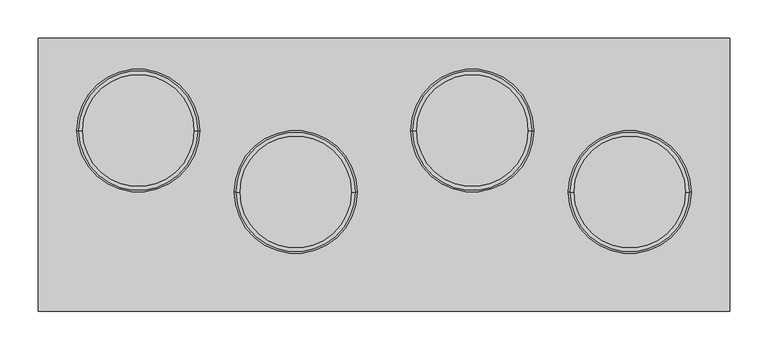
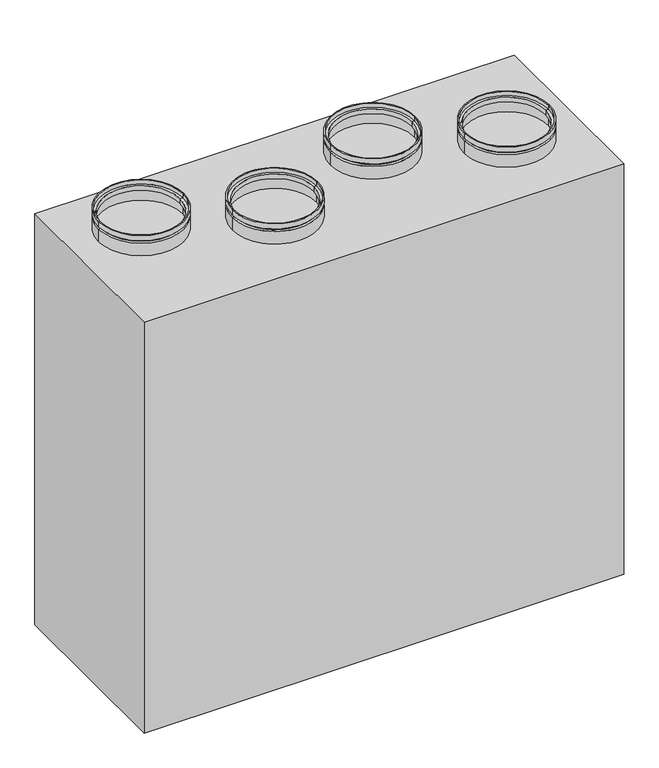
"""IFC4 building model written with IfcOpenShell, lengths in millimetres: proxy geometry."""

from ifc_helpers import new_model, si_unit, frame, origin, origin_with_axes, place, context, project, spatial, polyline, circle_curve, outline, extrude, source, transform, mapped, element, save
from ifc_brep_helpers import plane_surface, cylinder_surface, revolved_surface, advanced_brep


def mechanical_equipment_04812025(model_context):
    return source(origin(), model_context, "Body", "SolidModel", [
        advanced_brep(
        [(400.0, -22.5, 845.0), (240.0, -22.5, 845.0), (240.0, -22.5, 855.0), (400.0, -22.5, 855.0), (395.0, -22.5, 845.0), (245.0, -22.5, 845.0), (395.0, -22.5, 840.0), (245.0, -22.5, 840.0), (400.0, -22.5, 840.0), (240.0, -22.5, 840.0), (400.0, -22.5, 815.0), (240.0, -22.5, 815.0), (398.0, -22.5, 815.0), (242.0, -22.5, 815.0), (398.0, -22.5, 838.0), (242.0, -22.5, 838.0), (393.0, -22.5, 838.0), (247.0, -22.5, 838.0), (393.0, -22.5, 847.0), (247.0, -22.5, 847.0), (398.0, -22.5, 847.0), (242.0, -22.5, 847.0), (398.0, -22.5, 855.0), (242.0, -22.5, 855.0)],
        [
            (0, 1, circle_curve(frame((320.0, -22.5, 845.0), z_axis=(0.0, 0.0, 1.0), x_axis=(-1.0, 0.0, 0.0)), 80.0)),
            (1, 2),
            (2, 3, circle_curve(frame((320.0, -22.5, 855.0), z_axis=(0.0, 0.0, -1.0), x_axis=(-1.0, 0.0, 0.0)), 80.0)),
            (3, 0),
            (1, 0, circle_curve(frame((320.0, -22.5, 845.0), z_axis=(0.0, 0.0, 1.0), x_axis=(-1.0, 0.0, 0.0)), 80.0)),
            (3, 2, circle_curve(frame((320.0, -22.5, 855.0), z_axis=(0.0, 0.0, -1.0), x_axis=(-1.0, 0.0, 0.0)), 80.0)),
            (4, 5, circle_curve(frame((320.0, -22.5, 845.0), z_axis=(0.0, 0.0, 1.0), x_axis=(-1.0, 0.0, 0.0)), 75.0)),
            (5, 1),
            (0, 4),
            (5, 4, circle_curve(frame((320.0, -22.5, 845.0), z_axis=(0.0, 0.0, 1.0), x_axis=(-1.0, 0.0, 0.0)), 75.0)),
            (6, 7, circle_curve(frame((320.0, -22.5, 840.0), z_axis=(0.0, 0.0, 1.0), x_axis=(-1.0, 0.0, 0.0)), 75.0)),
            (7, 5),
            (4, 6),
            (7, 6, circle_curve(frame((320.0, -22.5, 840.0), z_axis=(0.0, 0.0, 1.0), x_axis=(-1.0, 0.0, 0.0)), 75.0)),
            (8, 9, circle_curve(frame((320.0, -22.5, 840.0), z_axis=(0.0, 0.0, 1.0), x_axis=(-1.0, 0.0, 0.0)), 80.0)),
            (9, 7),
            (6, 8),
            (9, 8, circle_curve(frame((320.0, -22.5, 840.0), z_axis=(0.0, 0.0, 1.0), x_axis=(-1.0, 0.0, 0.0)), 80.0)),
            (10, 11, circle_curve(frame((320.0, -22.5, 815.0), z_axis=(0.0, 0.0, 1.0), x_axis=(-1.0, 0.0, 0.0)), 80.0)),
            (11, 9),
            (8, 10),
            (11, 10, circle_curve(frame((320.0, -22.5, 815.0), z_axis=(0.0, 0.0, 1.0), x_axis=(-1.0, 0.0, 0.0)), 80.0)),
            (12, 13, circle_curve(frame((320.0, -22.5, 815.0), z_axis=(0.0, 0.0, 1.0), x_axis=(-1.0, 0.0, 0.0)), 78.0)),
            (13, 11),
            (10, 12),
            (13, 12, circle_curve(frame((320.0, -22.5, 815.0), z_axis=(0.0, 0.0, 1.0), x_axis=(-1.0, 0.0, 0.0)), 78.0)),
            (14, 15, circle_curve(frame((320.0, -22.5, 838.0), z_axis=(0.0, 0.0, 1.0), x_axis=(-1.0, 0.0, 0.0)), 78.0)),
            (15, 13),
            (12, 14),
            (15, 14, circle_curve(frame((320.0, -22.5, 838.0), z_axis=(0.0, 0.0, 1.0), x_axis=(-1.0, 0.0, 0.0)), 78.0)),
            (16, 17, circle_curve(frame((320.0, -22.5, 838.0), z_axis=(0.0, 0.0, 1.0), x_axis=(-1.0, 0.0, 0.0)), 73.0)),
            (17, 15),
            (14, 16),
            (17, 16, circle_curve(frame((320.0, -22.5, 838.0), z_axis=(0.0, 0.0, 1.0), x_axis=(-1.0, 0.0, 0.0)), 73.0)),
            (18, 19, circle_curve(frame((320.0, -22.5, 847.0), z_axis=(0.0, 0.0, 1.0), x_axis=(-1.0, 0.0, 0.0)), 73.0)),
            (19, 17),
            (16, 18),
            (19, 18, circle_curve(frame((320.0, -22.5, 847.0), z_axis=(0.0, 0.0, 1.0), x_axis=(-1.0, 0.0, 0.0)), 73.0)),
            (20, 21, circle_curve(frame((320.0, -22.5, 847.0), z_axis=(0.0, 0.0, 1.0), x_axis=(-1.0, 0.0, 0.0)), 78.0)),
            (21, 19),
            (18, 20),
            (21, 20, circle_curve(frame((320.0, -22.5, 847.0), z_axis=(0.0, 0.0, 1.0), x_axis=(-1.0, 0.0, 0.0)), 78.0)),
            (22, 23, circle_curve(frame((320.0, -22.5, 855.0), z_axis=(0.0, 0.0, 1.0), x_axis=(-1.0, 0.0, 0.0)), 78.0)),
            (23, 21),
            (20, 22),
            (23, 22, circle_curve(frame((320.0, -22.5, 855.0), z_axis=(0.0, 0.0, 1.0), x_axis=(-1.0, 0.0, 0.0)), 78.0)),
            (2, 23),
            (22, 3),
        ],
        [
            cylinder_surface(frame((320.0, -22.5, 2390.0440172), z_axis=(0.0, 0.0, -1.0), x_axis=(-1.0, 0.0, 0.0)), 80.0),
            plane_surface(frame((320.0, -22.5, 845.0), z_axis=(0.0, 0.0, -1.0), x_axis=(-1.0, 0.0, 0.0))),
            cylinder_surface(frame((320.0, -22.5, 2390.0440172), z_axis=(0.0, 0.0, -1.0), x_axis=(-1.0, 0.0, 0.0)), 75.0),
            plane_surface(frame((320.0, -22.5, 840.0), z_axis=(0.0, 0.0, 1.0), x_axis=(-1.0, 0.0, 0.0))),
            plane_surface(frame((320.0, -22.5, 815.0), z_axis=(0.0, 0.0, -1.0), x_axis=(-1.0, 0.0, 0.0))),
            revolved_surface(polyline([(242.0, -22.5, 815.0), (242.0, -22.5, 838.0)]), (320.0, -22.5, 2390.0440172), (0.0, 0.0, -1.0)),
            plane_surface(frame((320.0, -22.5, 838.0), z_axis=(0.0, 0.0, -1.0), x_axis=(-1.0, 0.0, 0.0))),
            revolved_surface(polyline([(247.0, -22.5, 838.0), (247.0, -22.5, 847.0)]), (320.0, -22.5, 2390.0440172), (0.0, 0.0, -1.0)),
            plane_surface(frame((320.0, -22.5, 847.0), z_axis=(0.0, 0.0, 1.0), x_axis=(-1.0, 0.0, 0.0))),
            revolved_surface(polyline([(242.0, -22.5, 847.0), (242.0, -22.5, 855.0)]), (320.0, -22.5, 2390.0440172), (0.0, 0.0, -1.0)),
            plane_surface(frame((320.0, -22.5, 855.0), z_axis=(0.0, 0.0, 1.0), x_axis=(-1.0, 0.0, 0.0))),
        ],
        [
            (0, [[1, 2, 3, 4]]),
            (0, [[5, -4, 6, -2]]),
            (1, [[7, 8, -1, 9]]),
            (1, [[10, -9, -5, -8]]),
            (2, [[11, 12, -7, 13]]),
            (2, [[14, -13, -10, -12]]),
            (3, [[15, 16, -11, 17]]),
            (3, [[18, -17, -14, -16]]),
            (0, [[19, 20, -15, 21]]),
            (0, [[22, -21, -18, -20]]),
            (4, [[23, 24, -19, 25]]),
            (4, [[26, -25, -22, -24]]),
            (5, [[27, 28, -23, 29]]),
            (5, [[30, -29, -26, -28]]),
            (6, [[31, 32, -27, 33]]),
            (6, [[34, -33, -30, -32]]),
            (7, [[35, 36, -31, 37]]),
            (7, [[38, -37, -34, -36]]),
            (8, [[39, 40, -35, 41]]),
            (8, [[42, -41, -38, -40]]),
            (9, [[43, 44, -39, 45]]),
            (9, [[46, -45, -42, -44]]),
            (10, [[-3, 47, -43, 48]]),
            (10, [[-6, -48, -46, -47]]),
        ],
    ),
        advanced_brep(
        [(195.0, 57.5, 845.0), (35.0, 57.5, 845.0), (35.0, 57.5, 855.0), (195.0, 57.5, 855.0), (190.0, 57.5, 845.0), (40.0, 57.5, 845.0), (190.0, 57.5, 840.0), (40.0, 57.5, 840.0), (195.0, 57.5, 840.0), (35.0, 57.5, 840.0), (195.0, 57.5, 815.0), (35.0, 57.5, 815.0), (193.0, 57.5, 815.0), (37.0, 57.5, 815.0), (193.0, 57.5, 838.0), (37.0, 57.5, 838.0), (188.0, 57.5, 838.0), (42.0, 57.5, 838.0), (188.0, 57.5, 847.0), (42.0, 57.5, 847.0), (193.0, 57.5, 847.0), (37.0, 57.5, 847.0), (193.0, 57.5, 855.0), (37.0, 57.5, 855.0)],
        [
            (0, 1, circle_curve(frame((115.0, 57.5, 845.0), z_axis=(0.0, 0.0, 1.0), x_axis=(-1.0, 0.0, 0.0)), 80.0)),
            (1, 2),
            (2, 3, circle_curve(frame((115.0, 57.5, 855.0), z_axis=(0.0, 0.0, -1.0), x_axis=(-1.0, 0.0, 0.0)), 80.0)),
            (3, 0),
            (1, 0, circle_curve(frame((115.0, 57.5, 845.0), z_axis=(0.0, 0.0, 1.0), x_axis=(-1.0, 0.0, 0.0)), 80.0)),
            (3, 2, circle_curve(frame((115.0, 57.5, 855.0), z_axis=(0.0, 0.0, -1.0), x_axis=(-1.0, 0.0, 0.0)), 80.0)),
            (4, 5, circle_curve(frame((115.0, 57.5, 845.0), z_axis=(0.0, 0.0, 1.0), x_axis=(-1.0, 0.0, 0.0)), 75.0)),
            (5, 1),
            (0, 4),
            (5, 4, circle_curve(frame((115.0, 57.5, 845.0), z_axis=(0.0, 0.0, 1.0), x_axis=(-1.0, 0.0, 0.0)), 75.0)),
            (6, 7, circle_curve(frame((115.0, 57.5, 840.0), z_axis=(0.0, 0.0, 1.0), x_axis=(-1.0, 0.0, 0.0)), 75.0)),
            (7, 5),
            (4, 6),
            (7, 6, circle_curve(frame((115.0, 57.5, 840.0), z_axis=(0.0, 0.0, 1.0), x_axis=(-1.0, 0.0, 0.0)), 75.0)),
            (8, 9, circle_curve(frame((115.0, 57.5, 840.0), z_axis=(0.0, 0.0, 1.0), x_axis=(-1.0, 0.0, 0.0)), 80.0)),
            (9, 7),
            (6, 8),
            (9, 8, circle_curve(frame((115.0, 57.5, 840.0), z_axis=(0.0, 0.0, 1.0), x_axis=(-1.0, 0.0, 0.0)), 80.0)),
            (10, 11, circle_curve(frame((115.0, 57.5, 815.0), z_axis=(0.0, 0.0, 1.0), x_axis=(-1.0, 0.0, 0.0)), 80.0)),
            (11, 9),
            (8, 10),
            (11, 10, circle_curve(frame((115.0, 57.5, 815.0), z_axis=(0.0, 0.0, 1.0), x_axis=(-1.0, 0.0, 0.0)), 80.0)),
            (12, 13, circle_curve(frame((115.0, 57.5, 815.0), z_axis=(0.0, 0.0, 1.0), x_axis=(-1.0, 0.0, 0.0)), 78.0)),
            (13, 11),
            (10, 12),
            (13, 12, circle_curve(frame((115.0, 57.5, 815.0), z_axis=(0.0, 0.0, 1.0), x_axis=(-1.0, 0.0, 0.0)), 78.0)),
            (14, 15, circle_curve(frame((115.0, 57.5, 838.0), z_axis=(0.0, 0.0, 1.0), x_axis=(-1.0, 0.0, 0.0)), 78.0)),
            (15, 13),
            (12, 14),
            (15, 14, circle_curve(frame((115.0, 57.5, 838.0), z_axis=(0.0, 0.0, 1.0), x_axis=(-1.0, 0.0, 0.0)), 78.0)),
            (16, 17, circle_curve(frame((115.0, 57.5, 838.0), z_axis=(0.0, 0.0, 1.0), x_axis=(-1.0, 0.0, 0.0)), 73.0)),
            (17, 15),
            (14, 16),
            (17, 16, circle_curve(frame((115.0, 57.5, 838.0), z_axis=(0.0, 0.0, 1.0), x_axis=(-1.0, 0.0, 0.0)), 73.0)),
            (18, 19, circle_curve(frame((115.0, 57.5, 847.0), z_axis=(0.0, 0.0, 1.0), x_axis=(-1.0, 0.0, 0.0)), 73.0)),
            (19, 17),
            (16, 18),
            (19, 18, circle_curve(frame((115.0, 57.5, 847.0), z_axis=(0.0, 0.0, 1.0), x_axis=(-1.0, 0.0, 0.0)), 73.0)),
            (20, 21, circle_curve(frame((115.0, 57.5, 847.0), z_axis=(0.0, 0.0, 1.0), x_axis=(-1.0, 0.0, 0.0)), 78.0)),
            (21, 19),
            (18, 20),
            (21, 20, circle_curve(frame((115.0, 57.5, 847.0), z_axis=(0.0, 0.0, 1.0), x_axis=(-1.0, 0.0, 0.0)), 78.0)),
            (22, 23, circle_curve(frame((115.0, 57.5, 855.0), z_axis=(0.0, 0.0, 1.0), x_axis=(-1.0, 0.0, 0.0)), 78.0)),
            (23, 21),
            (20, 22),
            (23, 22, circle_curve(frame((115.0, 57.5, 855.0), z_axis=(0.0, 0.0, 1.0), x_axis=(-1.0, 0.0, 0.0)), 78.0)),
            (2, 23),
            (22, 3),
        ],
        [
            cylinder_surface(frame((115.0, 57.5, 2390.0440172), z_axis=(0.0, 0.0, -1.0), x_axis=(-1.0, 0.0, 0.0)), 80.0),
            plane_surface(frame((115.0, 57.5, 845.0), z_axis=(0.0, 0.0, -1.0), x_axis=(-1.0, 0.0, 0.0))),
            cylinder_surface(frame((115.0, 57.5, 2390.0440172), z_axis=(0.0, 0.0, -1.0), x_axis=(-1.0, 0.0, 0.0)), 75.0),
            plane_surface(frame((115.0, 57.5, 840.0), z_axis=(0.0, 0.0, 1.0), x_axis=(-1.0, 0.0, 0.0))),
            plane_surface(frame((115.0, 57.5, 815.0), z_axis=(0.0, 0.0, -1.0), x_axis=(-1.0, 0.0, 0.0))),
            revolved_surface(polyline([(37.0, 57.5, 815.0), (37.0, 57.5, 838.0)]), (115.0, 57.5, 2390.0440172), (0.0, 0.0, -1.0)),
            plane_surface(frame((115.0, 57.5, 838.0), z_axis=(0.0, 0.0, -1.0), x_axis=(-1.0, 0.0, 0.0))),
            revolved_surface(polyline([(42.0, 57.5, 838.0), (42.0, 57.5, 847.0)]), (115.0, 57.5, 2390.0440172), (0.0, 0.0, -1.0)),
            plane_surface(frame((115.0, 57.5, 847.0), z_axis=(0.0, 0.0, 1.0), x_axis=(-1.0, 0.0, 0.0))),
            revolved_surface(polyline([(37.0, 57.5, 847.0), (37.0, 57.5, 855.0)]), (115.0, 57.5, 2390.0440172), (0.0, 0.0, -1.0)),
            plane_surface(frame((115.0, 57.5, 855.0), z_axis=(0.0, 0.0, 1.0), x_axis=(-1.0, 0.0, 0.0))),
        ],
        [
            (0, [[1, 2, 3, 4]]),
            (0, [[5, -4, 6, -2]]),
            (1, [[7, 8, -1, 9]]),
            (1, [[10, -9, -5, -8]]),
            (2, [[11, 12, -7, 13]]),
            (2, [[14, -13, -10, -12]]),
            (3, [[15, 16, -11, 17]]),
            (3, [[18, -17, -14, -16]]),
            (0, [[19, 20, -15, 21]]),
            (0, [[22, -21, -18, -20]]),
            (4, [[23, 24, -19, 25]]),
            (4, [[26, -25, -22, -24]]),
            (5, [[27, 28, -23, 29]]),
            (5, [[30, -29, -26, -28]]),
            (6, [[31, 32, -27, 33]]),
            (6, [[34, -33, -30, -32]]),
            (7, [[35, 36, -31, 37]]),
            (7, [[38, -37, -34, -36]]),
            (8, [[39, 40, -35, 41]]),
            (8, [[42, -41, -38, -40]]),
            (9, [[43, 44, -39, 45]]),
            (9, [[46, -45, -42, -44]]),
            (10, [[-3, 47, -43, 48]]),
            (10, [[-6, -48, -46, -47]]),
        ],
    ),
        advanced_brep(
        [(-35.0, -22.5, 845.0), (-195.0, -22.5, 845.0), (-195.0, -22.5, 855.0), (-35.0, -22.5, 855.0), (-40.0, -22.5, 845.0), (-190.0, -22.5, 845.0), (-40.0, -22.5, 840.0), (-190.0, -22.5, 840.0), (-35.0, -22.5, 840.0), (-195.0, -22.5, 840.0), (-35.0, -22.5, 815.0), (-195.0, -22.5, 815.0), (-37.0, -22.5, 815.0), (-193.0, -22.5, 815.0), (-37.0, -22.5, 838.0), (-193.0, -22.5, 838.0), (-42.0, -22.5, 838.0), (-188.0, -22.5, 838.0), (-42.0, -22.5, 847.0), (-188.0, -22.5, 847.0), (-37.0, -22.5, 847.0), (-193.0, -22.5, 847.0), (-37.0, -22.5, 855.0), (-193.0, -22.5, 855.0)],
        [
            (0, 1, circle_curve(frame((-115.0, -22.5, 845.0), z_axis=(0.0, 0.0, 1.0), x_axis=(-1.0, 0.0, 0.0)), 80.0)),
            (1, 2),
            (2, 3, circle_curve(frame((-115.0, -22.5, 855.0), z_axis=(0.0, 0.0, -1.0), x_axis=(-1.0, 0.0, 0.0)), 80.0)),
            (3, 0),
            (1, 0, circle_curve(frame((-115.0, -22.5, 845.0), z_axis=(0.0, 0.0, 1.0), x_axis=(-1.0, 0.0, 0.0)), 80.0)),
            (3, 2, circle_curve(frame((-115.0, -22.5, 855.0), z_axis=(0.0, 0.0, -1.0), x_axis=(-1.0, 0.0, 0.0)), 80.0)),
            (4, 5, circle_curve(frame((-115.0, -22.5, 845.0), z_axis=(0.0, 0.0, 1.0), x_axis=(-1.0, 0.0, 0.0)), 75.0)),
            (5, 1),
            (0, 4),
            (5, 4, circle_curve(frame((-115.0, -22.5, 845.0), z_axis=(0.0, 0.0, 1.0), x_axis=(-1.0, 0.0, 0.0)), 75.0)),
            (6, 7, circle_curve(frame((-115.0, -22.5, 840.0), z_axis=(0.0, 0.0, 1.0), x_axis=(-1.0, 0.0, 0.0)), 75.0)),
            (7, 5),
            (4, 6),
            (7, 6, circle_curve(frame((-115.0, -22.5, 840.0), z_axis=(0.0, 0.0, 1.0), x_axis=(-1.0, 0.0, 0.0)), 75.0)),
            (8, 9, circle_curve(frame((-115.0, -22.5, 840.0), z_axis=(0.0, 0.0, 1.0), x_axis=(-1.0, 0.0, 0.0)), 80.0)),
            (9, 7),
            (6, 8),
            (9, 8, circle_curve(frame((-115.0, -22.5, 840.0), z_axis=(0.0, 0.0, 1.0), x_axis=(-1.0, 0.0, 0.0)), 80.0)),
            (10, 11, circle_curve(frame((-115.0, -22.5, 815.0), z_axis=(0.0, 0.0, 1.0), x_axis=(-1.0, 0.0, 0.0)), 80.0)),
            (11, 9),
            (8, 10),
            (11, 10, circle_curve(frame((-115.0, -22.5, 815.0), z_axis=(0.0, 0.0, 1.0), x_axis=(-1.0, 0.0, 0.0)), 80.0)),
            (12, 13, circle_curve(frame((-115.0, -22.5, 815.0), z_axis=(0.0, 0.0, 1.0), x_axis=(-1.0, 0.0, 0.0)), 78.0)),
            (13, 11),
            (10, 12),
            (13, 12, circle_curve(frame((-115.0, -22.5, 815.0), z_axis=(0.0, 0.0, 1.0), x_axis=(-1.0, 0.0, 0.0)), 78.0)),
            (14, 15, circle_curve(frame((-115.0, -22.5, 838.0), z_axis=(0.0, 0.0, 1.0), x_axis=(-1.0, 0.0, 0.0)), 78.0)),
            (15, 13),
            (12, 14),
            (15, 14, circle_curve(frame((-115.0, -22.5, 838.0), z_axis=(0.0, 0.0, 1.0), x_axis=(-1.0, 0.0, 0.0)), 78.0)),
            (16, 17, circle_curve(frame((-115.0, -22.5, 838.0), z_axis=(0.0, 0.0, 1.0), x_axis=(-1.0, 0.0, 0.0)), 73.0)),
            (17, 15),
            (14, 16),
            (17, 16, circle_curve(frame((-115.0, -22.5, 838.0), z_axis=(0.0, 0.0, 1.0), x_axis=(-1.0, 0.0, 0.0)), 73.0)),
            (18, 19, circle_curve(frame((-115.0, -22.5, 847.0), z_axis=(0.0, 0.0, 1.0), x_axis=(-1.0, 0.0, 0.0)), 73.0)),
            (19, 17),
            (16, 18),
            (19, 18, circle_curve(frame((-115.0, -22.5, 847.0), z_axis=(0.0, 0.0, 1.0), x_axis=(-1.0, 0.0, 0.0)), 73.0)),
            (20, 21, circle_curve(frame((-115.0, -22.5, 847.0), z_axis=(0.0, 0.0, 1.0), x_axis=(-1.0, 0.0, 0.0)), 78.0)),
            (21, 19),
            (18, 20),
            (21, 20, circle_curve(frame((-115.0, -22.5, 847.0), z_axis=(0.0, 0.0, 1.0), x_axis=(-1.0, 0.0, 0.0)), 78.0)),
            (22, 23, circle_curve(frame((-115.0, -22.5, 855.0), z_axis=(0.0, 0.0, 1.0), x_axis=(-1.0, 0.0, 0.0)), 78.0)),
            (23, 21),
            (20, 22),
            (23, 22, circle_curve(frame((-115.0, -22.5, 855.0), z_axis=(0.0, 0.0, 1.0), x_axis=(-1.0, 0.0, 0.0)), 78.0)),
            (2, 23),
            (22, 3),
        ],
        [
            cylinder_surface(frame((-115.0, -22.5, 2390.0440172), z_axis=(0.0, 0.0, -1.0), x_axis=(-1.0, 0.0, 0.0)), 80.0),
            plane_surface(frame((-115.0, -22.5, 845.0), z_axis=(0.0, 0.0, -1.0), x_axis=(-1.0, 0.0, 0.0))),
            cylinder_surface(frame((-115.0, -22.5, 2390.0440172), z_axis=(0.0, 0.0, -1.0), x_axis=(-1.0, 0.0, 0.0)), 75.0),
            plane_surface(frame((-115.0, -22.5, 840.0), z_axis=(0.0, 0.0, 1.0), x_axis=(-1.0, 0.0, 0.0))),
            plane_surface(frame((-115.0, -22.5, 815.0), z_axis=(0.0, 0.0, -1.0), x_axis=(-1.0, 0.0, 0.0))),
            revolved_surface(polyline([(-193.0, -22.5, 815.0), (-193.0, -22.5, 838.0)]), (-115.0, -22.5, 2390.0440172), (0.0, 0.0, -1.0)),
            plane_surface(frame((-115.0, -22.5, 838.0), z_axis=(0.0, 0.0, -1.0), x_axis=(-1.0, 0.0, 0.0))),
            revolved_surface(polyline([(-188.0, -22.5, 838.0), (-188.0, -22.5, 847.0)]), (-115.0, -22.5, 2390.0440172), (0.0, 0.0, -1.0)),
            plane_surface(frame((-115.0, -22.5, 847.0), z_axis=(0.0, 0.0, 1.0), x_axis=(-1.0, 0.0, 0.0))),
            revolved_surface(polyline([(-193.0, -22.5, 847.0), (-193.0, -22.5, 855.0)]), (-115.0, -22.5, 2390.0440172), (0.0, 0.0, -1.0)),
            plane_surface(frame((-115.0, -22.5, 855.0), z_axis=(0.0, 0.0, 1.0), x_axis=(-1.0, 0.0, 0.0))),
        ],
        [
            (0, [[1, 2, 3, 4]]),
            (0, [[5, -4, 6, -2]]),
            (1, [[7, 8, -1, 9]]),
            (1, [[10, -9, -5, -8]]),
            (2, [[11, 12, -7, 13]]),
            (2, [[14, -13, -10, -12]]),
            (3, [[15, 16, -11, 17]]),
            (3, [[18, -17, -14, -16]]),
            (0, [[19, 20, -15, 21]]),
            (0, [[22, -21, -18, -20]]),
            (4, [[23, 24, -19, 25]]),
            (4, [[26, -25, -22, -24]]),
            (5, [[27, 28, -23, 29]]),
            (5, [[30, -29, -26, -28]]),
            (6, [[31, 32, -27, 33]]),
            (6, [[34, -33, -30, -32]]),
            (7, [[35, 36, -31, 37]]),
            (7, [[38, -37, -34, -36]]),
            (8, [[39, 40, -35, 41]]),
            (8, [[42, -41, -38, -40]]),
            (9, [[43, 44, -39, 45]]),
            (9, [[46, -45, -42, -44]]),
            (10, [[-3, 47, -43, 48]]),
            (10, [[-6, -48, -46, -47]]),
        ],
    ),
        advanced_brep(
        [(-240.0, 57.5, 845.0), (-400.0, 57.5, 845.0), (-400.0, 57.5, 855.0), (-240.0, 57.5, 855.0), (-245.0, 57.5, 845.0), (-395.0, 57.5, 845.0), (-245.0, 57.5, 840.0), (-395.0, 57.5, 840.0), (-240.0, 57.5, 840.0), (-400.0, 57.5, 840.0), (-240.0, 57.5, 815.0), (-400.0, 57.5, 815.0), (-242.0, 57.5, 815.0), (-398.0, 57.5, 815.0), (-242.0, 57.5, 838.0), (-398.0, 57.5, 838.0), (-247.0, 57.5, 838.0), (-393.0, 57.5, 838.0), (-247.0, 57.5, 847.0), (-393.0, 57.5, 847.0), (-242.0, 57.5, 847.0), (-398.0, 57.5, 847.0), (-242.0, 57.5, 855.0), (-398.0, 57.5, 855.0)],
        [
            (0, 1, circle_curve(frame((-320.0, 57.5, 845.0), z_axis=(0.0, 0.0, 1.0), x_axis=(-1.0, 0.0, 0.0)), 80.0)),
            (1, 2),
            (2, 3, circle_curve(frame((-320.0, 57.5, 855.0), z_axis=(0.0, 0.0, -1.0), x_axis=(-1.0, 0.0, 0.0)), 80.0)),
            (3, 0),
            (1, 0, circle_curve(frame((-320.0, 57.5, 845.0), z_axis=(0.0, 0.0, 1.0), x_axis=(-1.0, 0.0, 0.0)), 80.0)),
            (3, 2, circle_curve(frame((-320.0, 57.5, 855.0), z_axis=(0.0, 0.0, -1.0), x_axis=(-1.0, 0.0, 0.0)), 80.0)),
            (4, 5, circle_curve(frame((-320.0, 57.5, 845.0), z_axis=(0.0, 0.0, 1.0), x_axis=(-1.0, 0.0, 0.0)), 75.0)),
            (5, 1),
            (0, 4),
            (5, 4, circle_curve(frame((-320.0, 57.5, 845.0), z_axis=(0.0, 0.0, 1.0), x_axis=(-1.0, 0.0, 0.0)), 75.0)),
            (6, 7, circle_curve(frame((-320.0, 57.5, 840.0), z_axis=(0.0, 0.0, 1.0), x_axis=(-1.0, 0.0, 0.0)), 75.0)),
            (7, 5),
            (4, 6),
            (7, 6, circle_curve(frame((-320.0, 57.5, 840.0), z_axis=(0.0, 0.0, 1.0), x_axis=(-1.0, 0.0, 0.0)), 75.0)),
            (8, 9, circle_curve(frame((-320.0, 57.5, 840.0), z_axis=(0.0, 0.0, 1.0), x_axis=(-1.0, 0.0, 0.0)), 80.0)),
            (9, 7),
            (6, 8),
            (9, 8, circle_curve(frame((-320.0, 57.5, 840.0), z_axis=(0.0, 0.0, 1.0), x_axis=(-1.0, 0.0, 0.0)), 80.0)),
            (10, 11, circle_curve(frame((-320.0, 57.5, 815.0), z_axis=(0.0, 0.0, 1.0), x_axis=(-1.0, 0.0, 0.0)), 80.0)),
            (11, 9),
            (8, 10),
            (11, 10, circle_curve(frame((-320.0, 57.5, 815.0), z_axis=(0.0, 0.0, 1.0), x_axis=(-1.0, 0.0, 0.0)), 80.0)),
            (12, 13, circle_curve(frame((-320.0, 57.5, 815.0), z_axis=(0.0, 0.0, 1.0), x_axis=(-1.0, 0.0, 0.0)), 78.0)),
            (13, 11),
            (10, 12),
            (13, 12, circle_curve(frame((-320.0, 57.5, 815.0), z_axis=(0.0, 0.0, 1.0), x_axis=(-1.0, 0.0, 0.0)), 78.0)),
            (14, 15, circle_curve(frame((-320.0, 57.5, 838.0), z_axis=(0.0, 0.0, 1.0), x_axis=(-1.0, 0.0, 0.0)), 78.0)),
            (15, 13),
            (12, 14),
            (15, 14, circle_curve(frame((-320.0, 57.5, 838.0), z_axis=(0.0, 0.0, 1.0), x_axis=(-1.0, 0.0, 0.0)), 78.0)),
            (16, 17, circle_curve(frame((-320.0, 57.5, 838.0), z_axis=(0.0, 0.0, 1.0), x_axis=(-1.0, 0.0, 0.0)), 73.0)),
            (17, 15),
            (14, 16),
            (17, 16, circle_curve(frame((-320.0, 57.5, 838.0), z_axis=(0.0, 0.0, 1.0), x_axis=(-1.0, 0.0, 0.0)), 73.0)),
            (18, 19, circle_curve(frame((-320.0, 57.5, 847.0), z_axis=(0.0, 0.0, 1.0), x_axis=(-1.0, 0.0, 0.0)), 73.0)),
            (19, 17),
            (16, 18),
            (19, 18, circle_curve(frame((-320.0, 57.5, 847.0), z_axis=(0.0, 0.0, 1.0), x_axis=(-1.0, 0.0, 0.0)), 73.0)),
            (20, 21, circle_curve(frame((-320.0, 57.5, 847.0), z_axis=(0.0, 0.0, 1.0), x_axis=(-1.0, 0.0, 0.0)), 78.0)),
            (21, 19),
            (18, 20),
            (21, 20, circle_curve(frame((-320.0, 57.5, 847.0), z_axis=(0.0, 0.0, 1.0), x_axis=(-1.0, 0.0, 0.0)), 78.0)),
            (22, 23, circle_curve(frame((-320.0, 57.5, 855.0), z_axis=(0.0, 0.0, 1.0), x_axis=(-1.0, 0.0, 0.0)), 78.0)),
            (23, 21),
            (20, 22),
            (23, 22, circle_curve(frame((-320.0, 57.5, 855.0), z_axis=(0.0, 0.0, 1.0), x_axis=(-1.0, 0.0, 0.0)), 78.0)),
            (2, 23),
            (22, 3),
        ],
        [
            cylinder_surface(frame((-320.0, 57.5, 2390.0440172), z_axis=(0.0, 0.0, -1.0), x_axis=(-1.0, 0.0, 0.0)), 80.0),
            plane_surface(frame((-320.0, 57.5, 845.0), z_axis=(0.0, 0.0, -1.0), x_axis=(-1.0, 0.0, 0.0))),
            cylinder_surface(frame((-320.0, 57.5, 2390.0440172), z_axis=(0.0, 0.0, -1.0), x_axis=(-1.0, 0.0, 0.0)), 75.0),
            plane_surface(frame((-320.0, 57.5, 840.0), z_axis=(0.0, 0.0, 1.0), x_axis=(-1.0, 0.0, 0.0))),
            plane_surface(frame((-320.0, 57.5, 815.0), z_axis=(0.0, 0.0, -1.0), x_axis=(-1.0, 0.0, 0.0))),
            revolved_surface(polyline([(-398.0, 57.5, 815.0), (-398.0, 57.5, 838.0)]), (-320.0, 57.5, 2390.0440172), (0.0, 0.0, -1.0)),
            plane_surface(frame((-320.0, 57.5, 838.0), z_axis=(0.0, 0.0, -1.0), x_axis=(-1.0, 0.0, 0.0))),
            revolved_surface(polyline([(-393.0, 57.5, 838.0), (-393.0, 57.5, 847.0)]), (-320.0, 57.5, 2390.0440172), (0.0, 0.0, -1.0)),
            plane_surface(frame((-320.0, 57.5, 847.0), z_axis=(0.0, 0.0, 1.0), x_axis=(-1.0, 0.0, 0.0))),
            revolved_surface(polyline([(-398.0, 57.5, 847.0), (-398.0, 57.5, 855.0)]), (-320.0, 57.5, 2390.0440172), (0.0, 0.0, -1.0)),
            plane_surface(frame((-320.0, 57.5, 855.0), z_axis=(0.0, 0.0, 1.0), x_axis=(-1.0, 0.0, 0.0))),
        ],
        [
            (0, [[1, 2, 3, 4]]),
            (0, [[5, -4, 6, -2]]),
            (1, [[7, 8, -1, 9]]),
            (1, [[10, -9, -5, -8]]),
            (2, [[11, 12, -7, 13]]),
            (2, [[14, -13, -10, -12]]),
            (3, [[15, 16, -11, 17]]),
            (3, [[18, -17, -14, -16]]),
            (0, [[19, 20, -15, 21]]),
            (0, [[22, -21, -18, -20]]),
            (4, [[23, 24, -19, 25]]),
            (4, [[26, -25, -22, -24]]),
            (5, [[27, 28, -23, 29]]),
            (5, [[30, -29, -26, -28]]),
            (6, [[31, 32, -27, 33]]),
            (6, [[34, -33, -30, -32]]),
            (7, [[35, 36, -31, 37]]),
            (7, [[38, -37, -34, -36]]),
            (8, [[39, 40, -35, 41]]),
            (8, [[42, -41, -38, -40]]),
            (9, [[43, 44, -39, 45]]),
            (9, [[46, -45, -42, -44]]),
            (10, [[-3, 47, -43, 48]]),
            (10, [[-6, -48, -46, -47]]),
        ],
    ),
        extrude(outline(polyline([(-450.0, 177.5), (450.0, 177.5), (450.0, -177.5), (-450.0, -177.5), (-450.0, 177.5)])), origin_with_axes(), (0.0, 0.0, 1.0), 815.0),
    ])


if __name__ == "__main__":
    model = new_model("IFC4")
    model_context = context("Model", 3, world=origin())
    ifc_project = project(units=[si_unit("LENGTHUNIT", "METRE", prefix="MILLI")], contexts=[model_context])
    site = spatial("IfcSite", under=ifc_project)
    building = spatial("IfcBuilding", under=site)
    placement = place(None, origin())
    mechanical_equipment_shape = mechanical_equipment_04812025(model_context)
    element("IfcBuildingElementProxy", 1, Name="Mechanical Equipment", at=placement, inside=building, context=model_context, shape_type="MappedRepresentation", body=[
        mapped(mechanical_equipment_shape, transform((0.0, 0.0, 0.0), x_axis=(1.0, 0.0, 0.0), y_axis=(0.0, 1.0, 0.0), z_axis=(0.0, 0.0, 1.0))),
    ])
    save(model, "model.ifc")
